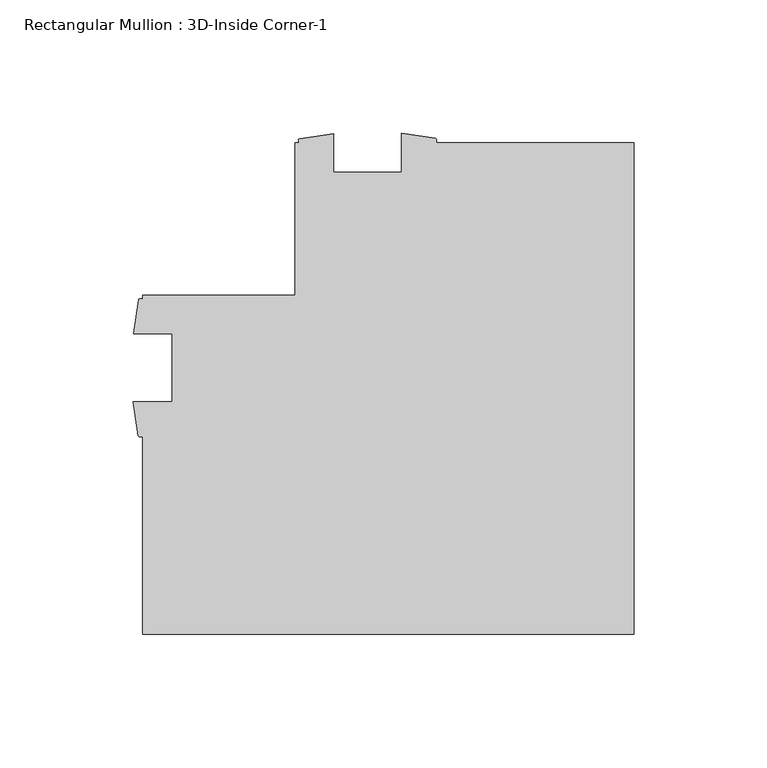
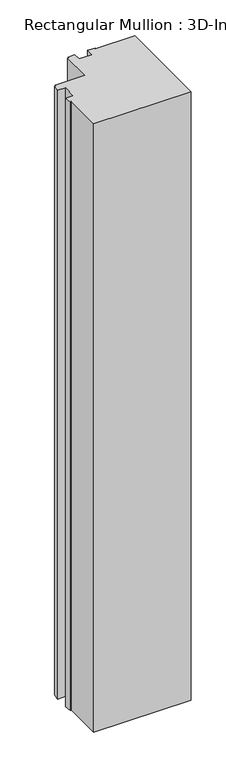
"""IFC4 building model written with IfcOpenShell, lengths in millimetres: member geometry, Rectangular Mullion : 3D-Inside Corner-1."""

from ifc_helpers import new_model, si_unit, point, frame, frame_2d, origin, place, context, project, spatial, polyline, circle_curve, trimmed, segment, composite_curve, outline, extrude, source, transform, mapped, element, save


def rectangular_mullion_3d_inside_corner_1_bbac8bd9(model_context):
    return source(origin(), model_context, "Body", "SweptSolid", [
        extrude(outline(composite_curve([segment(polyline([(0.0, 111.125), (0.0, -73.025), (-184.15, -73.025), (-184.15, 1.2984222)]), True, "CONTINUOUS"), segment(trimmed(circle_curve(frame_2d((-184.9817022, 1.8528756)), 0.9995735), [point((-184.15, 1.2984222))], [point((-185.8134044, 1.2984222))], False, "CARTESIAN"), True, "CONTINUOUS"), segment(polyline([(-185.8134044, 1.2984222), (-187.6695217, 14.071475), (-173.0375, 14.071475), (-173.0375, 39.471475), (-187.546, 39.471475), (-185.7358963, 52.2427625)]), True, "CONTINUOUS"), segment(trimmed(circle_curve(frame_2d((-184.9429481, 51.7433229)), 0.9371268), [point((-185.7358963, 52.2427625))], [point((-184.15, 52.2427625))], False, "CARTESIAN"), True, "CONTINUOUS"), segment(polyline([(-184.15, 52.2427625), (-184.15, 53.975), (-127.0, 53.975), (-127.0, 111.125), (-125.196475, 111.125)]), True, "CONTINUOUS"), segment(trimmed(circle_curve(frame_2d((-124.8409453, 111.923)), 0.8736162), [point((-125.196475, 111.125))], [point((-125.196475, 112.721))], False, "CARTESIAN"), True, "CONTINUOUS"), segment(polyline([(-125.196475, 112.721), (-112.496475, 114.521), (-112.496475, 100.0125), (-87.096475, 100.0125), (-87.096475, 114.6445217), (-74.3234222, 112.7884044)]), True, "CONTINUOUS"), segment(trimmed(circle_curve(frame_2d((-74.87765, 111.9567022)), 0.9994483), [point((-74.3234222, 112.7884044))], [point((-74.3234222, 111.125))], False, "CARTESIAN"), True, "CONTINUOUS"), segment(polyline([(-74.3234222, 111.125), (0.0, 111.125)]), True, "CONTINUOUS")], self_intersect=False)), frame((0.0, 0.0, -1219.2), z_axis=(0.0, 0.0, 1.0), x_axis=(1.0, 0.0, 0.0)), (0.0, 0.0, 1.0), 1219.2),
    ])


if __name__ == "__main__":
    model = new_model("IFC4")
    model_context = context("Model", 3, world=origin())
    ifc_project = project(units=[si_unit("LENGTHUNIT", "METRE", prefix="MILLI")], contexts=[model_context])
    site = spatial("IfcSite", under=ifc_project)
    building = spatial("IfcBuilding", under=site)
    placement = place(None, origin())
    rectangular_mullion_3d_inside_corner_1_shape = rectangular_mullion_3d_inside_corner_1_bbac8bd9(model_context)
    element("IfcMember", 1, ObjectType="Rectangular Mullion : 3D-Inside Corner-1", at=placement, inside=building, context=model_context, shape_type="MappedRepresentation", body=[
        mapped(rectangular_mullion_3d_inside_corner_1_shape, transform((0.0, 0.0, 0.0), x_axis=(1.0, 0.0, 0.0), y_axis=(0.0, 1.0, 0.0), z_axis=(0.0, 0.0, 1.0))),
    ])
    save(model, "model.ifc")
